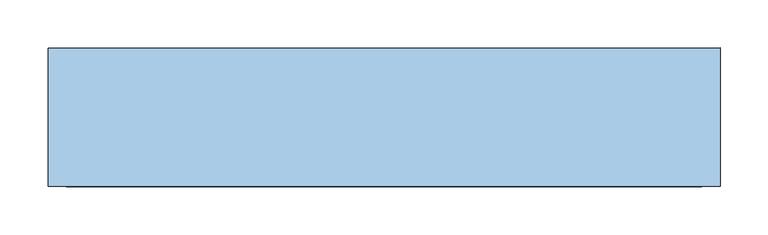
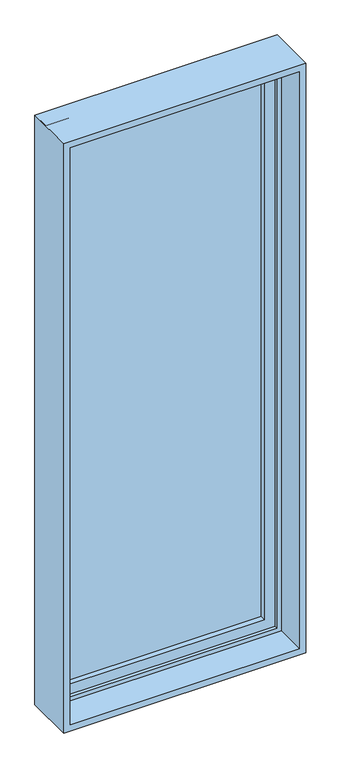
"""IFC4 building model written with IfcOpenShell, lengths in millimetres: window geometry."""

from ifc_helpers import new_model, si_unit, frame, origin, place, context, project, spatial, polyline, outline, extrude, source, transform, mapped, element, save


def window_2bdcee95(model_context):
    return source(origin(), model_context, "Body", "SweptSolid", [
        extrude(outline(polyline([(-287.0, 58.0), (-287.0, 70.0), (287.0, 70.0), (287.0, 58.0), (-287.0, 58.0)])), frame((0.0, 0.0, 368.0), z_axis=(0.0, 0.0, 1.0), x_axis=(1.0, 0.0, 0.0)), (0.0, 0.0, 1.0), 1674.0),
        extrude(outline(polyline([(2086.0, -331.0), (324.0, -331.0), (324.0, 331.0), (2086.0, 331.0), (2086.0, -331.0)]), holes=[polyline([(2042.0, -287.0), (2042.0, 287.0), (368.0, 287.0), (368.0, -287.0), (2042.0, -287.0)])]), frame((0.0, 42.0, 0.0), z_axis=(0.0, 1.0, 0.0), x_axis=(0.0, 0.0, 1.0)), (0.0, 0.0, 1.0), 44.0),
        extrude(outline(polyline([(2105.0, -350.0), (305.0, -350.0), (305.0, 350.0), (2105.0, 350.0), (2105.0, -350.0)]), holes=[polyline([(2086.0, -331.0), (2086.0, 331.0), (324.0, 331.0), (324.0, -331.0), (2086.0, -331.0)])]), frame((0.0, -58.0, 0.0), z_axis=(0.0, 1.0, 0.0), x_axis=(0.0, 0.0, 1.0)), (0.0, 0.0, 1.0), 144.0),
        extrude(outline(polyline([(2105.0, -350.0), (305.0, -350.0), (305.0, 350.0), (2105.0, 350.0), (2105.0, -350.0)]), holes=[polyline([(2073.0, -318.0), (2073.0, 318.0), (337.0, 318.0), (337.0, -318.0), (2073.0, -318.0)])]), frame((0.0, 32.0, 0.0), z_axis=(0.0, 1.0, 0.0), x_axis=(0.0, 0.0, 1.0)), (0.0, 0.0, 1.0), 54.0),
    ])


if __name__ == "__main__":
    model = new_model("IFC4")
    model_context = context("Model", 3, world=origin())
    ifc_project = project(units=[si_unit("LENGTHUNIT", "METRE", prefix="MILLI")], contexts=[model_context])
    site = spatial("IfcSite", under=ifc_project)
    building = spatial("IfcBuilding", under=site)
    placement = place(None, origin())
    window_shape = window_2bdcee95(model_context)
    element("IfcWindow", 1, at=placement, inside=building, context=model_context, shape_type="MappedRepresentation", body=[
        mapped(window_shape, transform((0.0, 0.0, 0.0), x_axis=(1.0, 0.0, 0.0), y_axis=(0.0, 1.0, 0.0), z_axis=(0.0, 0.0, 1.0))),
    ])
    save(model, "model.ifc")
